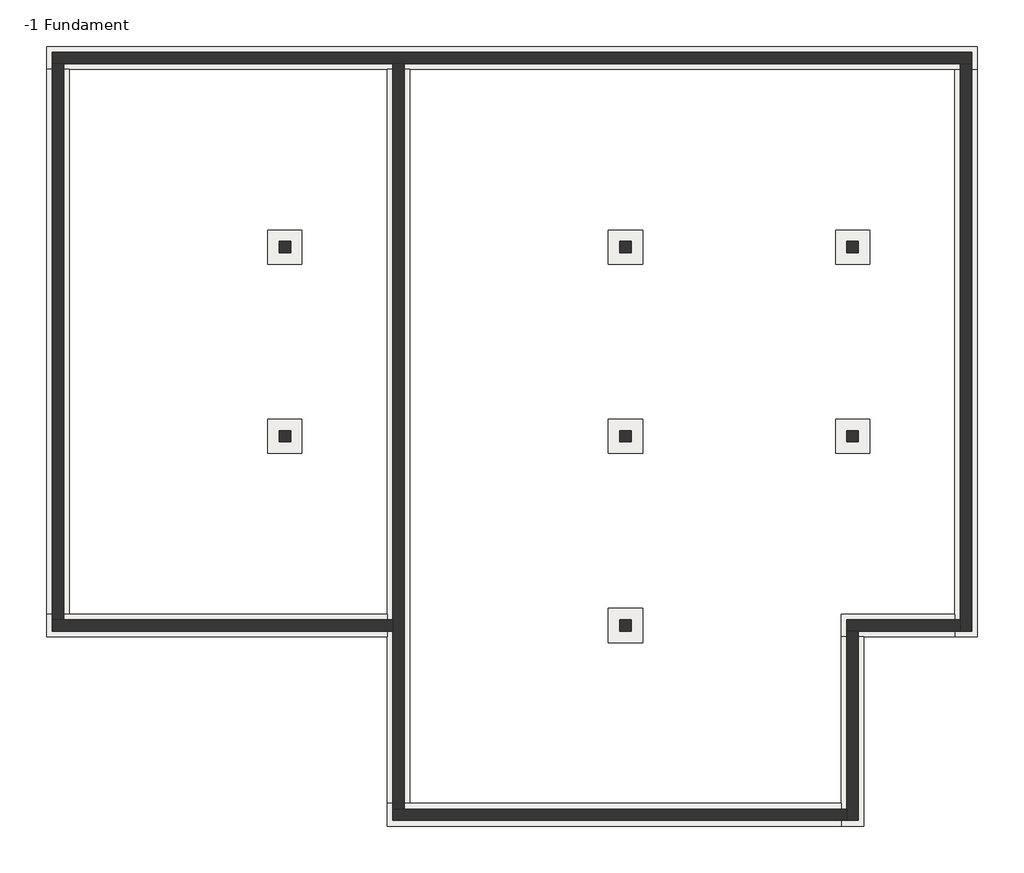
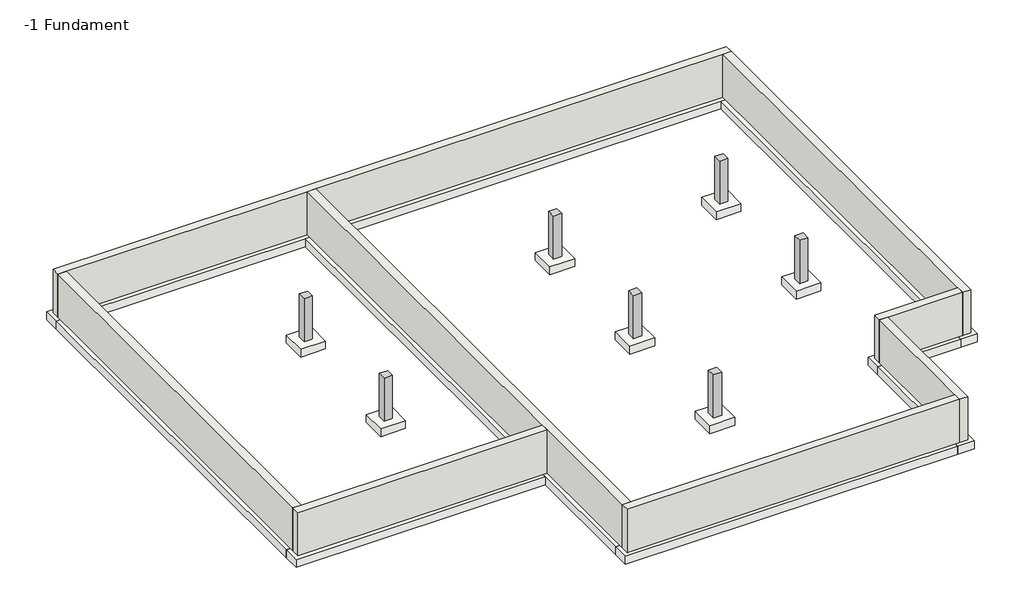
# One storey: 8 footings, 8 walls, 7 columns, 7 slabs.
"""IFC4 building model written with IfcOpenShell, lengths in millimetres."""

import ifcopenshell
import ifcopenshell.guid

model = None  # the IFC model being written
_history = None  # IfcOwnerHistory: only IFC2X3 demands one
_inside = {}  # id of a spatial element -> (the spatial element, [elements in it])
_under = {}  # id of a project, library or spatial element -> (it, [spatial elements below it])
_declared = {}  # id of a project -> (the project, [libraries it declares])
_typed = {}  # id of a type object -> (the type object, [elements of that type])
_made_of = {}  # id of a material, layer set ... -> (it, [elements and type objects made of it])


def new_model(schema):
    """Start an empty IFC model of exactly this schema.

    Asked for "IFC4X3", IfcOpenShell would pick the latest addendum, in which some entities
    have other attributes; the version numbers below select the first issue.
    IFC2X3 requires an IfcOwnerHistory on every rooted entity: one is made here for all.
    """
    global model, _history
    if schema == "IFC4X3":
        model = ifcopenshell.file(schema_version=(4, 3, 0, 0))
    else:
        model = ifcopenshell.file(schema=schema)
    _inside.clear()
    _under.clear()
    _declared.clear()
    _typed.clear()
    _made_of.clear()
    _history = None
    if model.schema == "IFC2X3":
        org = make("IfcOrganization", Name="unknown")
        user = make(
            "IfcPersonAndOrganization",
            ThePerson=make("IfcPerson", FamilyName="unknown"),
            TheOrganization=org,
        )
        app = make(
            "IfcApplication",
            ApplicationDeveloper=org,
            Version="unknown",
            ApplicationFullName="unknown",
            ApplicationIdentifier="unknown",
        )
        _history = make(
            "IfcOwnerHistory",
            OwningUser=user,
            OwningApplication=app,
            ChangeAction="ADDED",
            CreationDate=0,
        )
    return model


def make(cls, **values):
    """One entity of the class cls with the attributes given. An attribute that is None is left unset."""
    return model.create_entity(
        cls, **{name: value for name, value in values.items() if value is not None}
    )


def rooted(cls, **values):
    """An entity with a GlobalId (a new one), such as an element, a storey or a relation."""
    return make(cls, GlobalId=ifcopenshell.guid.new(), OwnerHistory=_history, **values)


def si_unit(unit_type, name, prefix=None):
    """IfcSIUnit, for example si_unit("LENGTHUNIT", "METRE", prefix="MILLI")."""
    return make("IfcSIUnit", UnitType=unit_type, Prefix=prefix, Name=name)


def assignment(units):
    """IfcUnitAssignment: the units of a project."""
    return None if units is None else make("IfcUnitAssignment", Units=units)


def point(xyz):
    """IfcCartesianPoint."""
    return None if xyz is None else make("IfcCartesianPoint", Coordinates=xyz)


def direction(xyz):
    """IfcDirection."""
    return None if xyz is None else make("IfcDirection", DirectionRatios=xyz)


def frame(location, z_axis=None, x_axis=None):
    """IfcAxis2Placement3D, a coordinate frame: its origin and axes. An axis left out is left unset."""
    return make(
        "IfcAxis2Placement3D",
        Location=point(location),
        Axis=direction(z_axis),
        RefDirection=direction(x_axis),
    )


def origin():
    """The frame at (0, 0, 0) with its axes left unset."""
    return frame((0.0, 0.0, 0.0))


def place(relative_to, where):
    """IfcLocalPlacement: puts the frame where relative to a parent placement (None: the world)."""
    return make(
        "IfcLocalPlacement", PlacementRelTo=relative_to, RelativePlacement=where
    )


def context(
    kind, dimensions, precision=None, world=None, true_north=None, identifier=None
):
    """IfcGeometricRepresentationContext, for example the 3D "Model" context."""
    return make(
        "IfcGeometricRepresentationContext",
        ContextIdentifier=identifier,
        ContextType=kind,
        CoordinateSpaceDimension=dimensions,
        Precision=precision,
        WorldCoordinateSystem=world,
        TrueNorth=true_north,
    )


def project(units=None, contexts=None):
    """IfcProject with its units and contexts."""
    return rooted(
        "IfcProject",
        Name="project",
        RepresentationContexts=contexts,
        UnitsInContext=assignment(units),
    )


def spatial(cls, under=None, at=None, **own):
    """A site, building, storey or space (cls), placed at a placement, below another one or the project."""
    s = rooted(cls, ObjectPlacement=at, **own)
    if under is not None:
        _under.setdefault(under.id(), (under, []))[1].append(s)
    return s


def polyline(points):
    """IfcPolyline through the points."""
    return make("IfcPolyline", Points=[point(p) for p in points])


def outline(outer, holes=None, kind="AREA"):
    """IfcArbitraryClosedProfileDef: a profile drawn as a closed curve; with holes, ...WithVoids."""
    if holes is None:
        return make("IfcArbitraryClosedProfileDef", ProfileType=kind, OuterCurve=outer)
    return make(
        "IfcArbitraryProfileDefWithVoids",
        ProfileType=kind,
        OuterCurve=outer,
        InnerCurves=holes,
    )


def extrude(swept, where, along, depth):
    """IfcExtrudedAreaSolid: the profile swept, set in the frame where, extruded along a direction by depth."""
    return make(
        "IfcExtrudedAreaSolid",
        SweptArea=swept,
        Position=where,
        ExtrudedDirection=direction(along),
        Depth=depth,
    )


def faces_of(points, faces, orient=None, outer=None):
    """IfcFace entities. A face is a list of loops; a loop is a list of indices into points, from 0.

    orient and outer hold one flag for each loop. By default every Orientation is true, the
    first loop of a face is its IfcFaceOuterBound and the others are IfcFaceBound.
    """
    made = []
    for i, loops in enumerate(faces):
        bounds = []
        for j, loop in enumerate(loops):
            is_outer = j == 0 if outer is None else outer[i][j]
            bounds.append(
                make(
                    "IfcFaceOuterBound" if is_outer else "IfcFaceBound",
                    Bound=make("IfcPolyLoop", Polygon=[points[k] for k in loop]),
                    Orientation=True if orient is None else orient[i][j],
                )
            )
        made.append(make("IfcFace", Bounds=bounds))
    return made


def faceted_brep(points, faces, orient=None, outer=None, voids=None):
    """IfcFacetedBrep: a solid bounded by flat faces; with voids (closed shells), ...WithVoids."""
    shared = [point(p) for p in points]
    hull = make("IfcClosedShell", CfsFaces=faces_of(shared, faces, orient, outer))
    if voids is None:
        return make("IfcFacetedBrep", Outer=hull)
    return make(
        "IfcFacetedBrepWithVoids",
        Outer=hull,
        Voids=[
            make(cls, CfsFaces=faces_of(shared, fs, o, b)) for cls, fs, o, b in voids
        ],
    )


def shape(context_of_items, identifier, shape_type, items):
    """IfcShapeRepresentation: the items that make up one representation, for example the "Body"."""
    return make(
        "IfcShapeRepresentation",
        ContextOfItems=context_of_items,
        RepresentationIdentifier=identifier,
        RepresentationType=shape_type,
        Items=items,
    )


def source(mapping_origin, context_of_items, identifier, shape_type, items):
    """IfcRepresentationMap: a shape defined once, which mapped items show again and again."""
    return make(
        "IfcRepresentationMap",
        MappingOrigin=mapping_origin,
        MappedRepresentation=shape(context_of_items, identifier, shape_type, items),
    )


def transform(
    local_origin,
    x_axis=None,
    y_axis=None,
    z_axis=None,
    scale=None,
    scale2=None,
    scale3=None,
    uniform=True,
):
    """IfcCartesianTransformationOperator3D, or its non-uniform kind. x_axis, y_axis, z_axis: its Axis1, 2, 3."""
    if uniform:
        return make(
            "IfcCartesianTransformationOperator3D",
            Axis1=direction(x_axis),
            Axis2=direction(y_axis),
            LocalOrigin=point(local_origin),
            Scale=scale,
            Axis3=direction(z_axis),
        )
    return make(
        "IfcCartesianTransformationOperator3DnonUniform",
        Axis1=direction(x_axis),
        Axis2=direction(y_axis),
        LocalOrigin=point(local_origin),
        Scale=scale,
        Axis3=direction(z_axis),
        Scale2=scale2,
        Scale3=scale3,
    )


def mapped(mapping_source, mapping_target):
    """IfcMappedItem: shows the shape of a source again, moved by a transform."""
    return make(
        "IfcMappedItem", MappingSource=mapping_source, MappingTarget=mapping_target
    )


def made_of(thing, what):
    """Note that an element or type object is made of a material, layer set ...; save() writes the relation."""
    if what is not None:
        _made_of.setdefault(what.id(), (what, []))[1].append(thing)
    return thing


def element(
    cls,
    number,
    at=None,
    inside=None,
    cuts=None,
    type_object=None,
    material=None,
    context=None,
    identifier="Body",
    shape_type=None,
    held_by="IfcProductDefinitionShape",
    body=None,
    shapes=None,
    **own,
):
    """One element of the class cls, such as IfcWall. Its Tag is "e" and its number.

    at: its placement. inside: the storey or other place that contains it. cuts: it is an
    opening in that element (IfcRelVoidsElement). A single representation is given by context,
    identifier, shape_type and body (its items); several are given by shapes. held_by: the class
    of the entity that holds the representations. save() writes the other relations.
    """
    e = rooted(cls, Tag="e%d" % number, ObjectPlacement=at, **own)
    if body is not None:
        shapes = [shape(context, identifier, shape_type, body)]
    if shapes is not None:
        e.Representation = make(held_by, Representations=shapes)
    if inside is not None:
        _inside.setdefault(inside.id(), (inside, []))[1].append(e)
    if cuts is not None:
        rooted(
            "IfcRelVoidsElement", RelatingBuildingElement=cuts, RelatedOpeningElement=e
        )
    if type_object is not None:
        _typed.setdefault(type_object.id(), (type_object, []))[1].append(e)
    return made_of(e, material)


def aggregate(whole, parts):
    """IfcRelAggregates: a whole, such as a stair, and the parts it consists of."""
    return rooted("IfcRelAggregates", RelatingObject=whole, RelatedObjects=parts)


def save(model, path):
    """Write the relations noted so far, then the file.

    IfcRelAggregates (storeys below a building ...), IfcRelContainedInSpatialStructure (elements
    in a storey), IfcRelDefinesByType, IfcRelAssociatesMaterial and IfcRelDeclares: one each for
    every whole, place, type object, material and project.
    """
    for whole, parts in _under.values():
        aggregate(whole, parts)
    for where, things in _inside.values():
        rooted(
            "IfcRelContainedInSpatialStructure",
            RelatedElements=things,
            RelatingStructure=where,
        )
    for kind, things in _typed.values():
        rooted("IfcRelDefinesByType", RelatedObjects=things, RelatingType=kind)
    for what, things in _made_of.values():
        rooted("IfcRelAssociatesMaterial", RelatedObjects=things, RelatingMaterial=what)
    for by, libraries in _declared.values():
        rooted("IfcRelDeclares", RelatingContext=by, RelatedDefinitions=libraries)
    model.write(path)


def stopa_90x90x30_c17b2515(model_context):
    return source(origin(), model_context, "Body", "SweptSolid", [
        extrude(outline(polyline([(450.0, 450.0), (450.0, -450.0), (-450.0, -450.0), (-450.0, 450.0), (450.0, 450.0)])), frame((0.0, 0.0, -300.0), z_axis=(0.0, 0.0, 1.0), x_axis=(1.0, 0.0, 0.0)), (0.0, 0.0, 1.0), 300.0),
    ])


model = new_model("IFC4")

# Units and contexts
model_context = context("Model", 3, world=origin())
ifc_project = project(units=[si_unit("LENGTHUNIT", "METRE", prefix="MILLI")], contexts=[model_context])

# Site, building, storey
site = spatial("IfcSite", under=ifc_project)
building = spatial("IfcBuilding", under=site)
storey = spatial("IfcBuildingStorey", under=building, Name="-1 Fundament", Elevation=-1800.0)

# Columns
placement = place(None, origin())
element("IfcColumn", 1, ObjectType="300 x 300 mm", at=placement, inside=storey, context=model_context, shape_type="SweptSolid", body=[
    extrude(outline(polyline([(-9908.387527, 9942.0054116), (-9908.387527, 9642.0054116), (-10208.387527, 9642.0054116), (-10208.387527, 9942.0054116), (-9908.387527, 9942.0054116)])), frame((0.0, 0.0, -1800.0), z_axis=(0.0, 0.0, 1.0), x_axis=(1.0, 0.0, 0.0)), (0.0, 0.0, 1.0), 1650.0),
])
element("IfcColumn", 2, ObjectType="300 x 300 mm", at=placement, inside=storey, context=model_context, shape_type="SweptSolid", body=[
    extrude(outline(polyline([(-9908.387527, 4942.0054116), (-9908.387527, 4642.0054116), (-10208.387527, 4642.0054116), (-10208.387527, 4942.0054116), (-9908.387527, 4942.0054116)])), frame((0.0, 0.0, -1800.0), z_axis=(0.0, 0.0, 1.0), x_axis=(1.0, 0.0, 0.0)), (0.0, 0.0, 1.0), 1650.0),
])
element("IfcColumn", 3, ObjectType="300 x 300 mm", at=placement, inside=storey, context=model_context, shape_type="SweptSolid", body=[
    extrude(outline(polyline([(-908.387527, 9942.0054116), (-908.387527, 9642.0054116), (-1208.387527, 9642.0054116), (-1208.387527, 9942.0054116), (-908.387527, 9942.0054116)])), frame((0.0, 0.0, -1800.0), z_axis=(0.0, 0.0, 1.0), x_axis=(1.0, 0.0, 0.0)), (0.0, 0.0, 1.0), 1650.0),
])
element("IfcColumn", 4, ObjectType="300 x 300 mm", at=placement, inside=storey, context=model_context, shape_type="SweptSolid", body=[
    extrude(outline(polyline([(-908.387527, 4942.0054116), (-908.387527, 4642.0054116), (-1208.387527, 4642.0054116), (-1208.387527, 4942.0054116), (-908.387527, 4942.0054116)])), frame((0.0, 0.0, -1800.0), z_axis=(0.0, 0.0, 1.0), x_axis=(1.0, 0.0, 0.0)), (0.0, 0.0, 1.0), 1650.0),
])
element("IfcColumn", 5, ObjectType="300 x 300 mm", at=placement, inside=storey, context=model_context, shape_type="SweptSolid", body=[
    extrude(outline(polyline([(5091.612473, 9942.0054116), (5091.612473, 9642.0054116), (4791.612473, 9642.0054116), (4791.612473, 9942.0054116), (5091.612473, 9942.0054116)])), frame((0.0, 0.0, -1800.0), z_axis=(0.0, 0.0, 1.0), x_axis=(1.0, 0.0, 0.0)), (0.0, 0.0, 1.0), 1650.0),
])
element("IfcColumn", 6, ObjectType="300 x 300 mm", at=placement, inside=storey, context=model_context, shape_type="SweptSolid", body=[
    extrude(outline(polyline([(5091.612473, 4942.0054116), (5091.612473, 4642.0054116), (4791.612473, 4642.0054116), (4791.612473, 4942.0054116), (5091.612473, 4942.0054116)])), frame((0.0, 0.0, -1800.0), z_axis=(0.0, 0.0, 1.0), x_axis=(1.0, 0.0, 0.0)), (0.0, 0.0, 1.0), 1650.0),
])
element("IfcColumn", 7, ObjectType="300 x 300 mm", at=placement, inside=storey, context=model_context, shape_type="SweptSolid", body=[
    extrude(outline(polyline([(-908.387527, -57.9945884), (-908.387527, -357.9945884), (-1208.387527, -357.9945884), (-1208.387527, -57.9945884), (-908.387527, -57.9945884)])), frame((0.0, 0.0, -1800.0), z_axis=(0.0, 0.0, 1.0), x_axis=(1.0, 0.0, 0.0)), (0.0, 0.0, 1.0), 1650.0),
])

# Footings
element("IfcFooting", 8, at=placement, inside=storey, context=model_context, shape_type="Brep", body=[
    faceted_brep([(-16358.387527, 14492.0054116, -1800.0), (-15758.387527, 14492.0054116, -1800.0), (-7358.387527, 14492.0054116, -1800.0), (-6758.387527, 14492.0054116, -1800.0), (7641.612473, 14492.0054116, -1800.0), (8241.612473, 14492.0054116, -1800.0), (8241.612473, 15092.0054116, -1800.0), (-16358.387527, 15092.0054116, -1800.0), (-16358.387527, 15092.0054116, -2100.0), (8241.612473, 15092.0054116, -2100.0), (-16358.387527, 14492.0054116, -2100.0), (8241.612473, 14492.0054116, -2100.0), (7641.612473, 14492.0054116, -2100.0), (-6758.387527, 14492.0054116, -2100.0), (-7358.387527, 14492.0054116, -2100.0), (-15758.387527, 14492.0054116, -2100.0)], [[[0, 1, 2, 3, 4, 5, 6, 7]], [[8, 7, 6, 9]], [[10, 8, 9, 11, 12, 13, 14, 15]], [[0, 10, 15, 14, 13, 12, 11, 5, 4, 3, 2, 1]], [[6, 5, 11, 9]], [[0, 7, 8, 10]]]),
])
element("IfcFooting", 9, at=placement, inside=storey, context=model_context, shape_type="Brep", body=[
    faceted_brep([(7641.612473, -507.9945884, -1800.0), (8241.612473, -507.9945884, -1800.0), (8241.612473, 14492.0054116, -1800.0), (7641.612473, 14492.0054116, -1800.0), (7641.612473, 92.0054116, -1800.0), (8241.612473, -507.9945884, -2100.0), (8241.612473, 14492.0054116, -2100.0), (7641.612473, -507.9945884, -2100.0), (7641.612473, 92.0054116, -2100.0), (7641.612473, 14492.0054116, -2100.0)], [[[0, 1, 2, 3, 4]], [[1, 5, 6, 2]], [[5, 7, 8, 9, 6]], [[7, 0, 4, 3, 9, 8]], [[1, 0, 7, 5]], [[3, 2, 6, 9]]]),
])
element("IfcFooting", 10, at=placement, inside=storey, context=model_context, shape_type="Brep", body=[
    faceted_brep([(4641.612473, 92.0054116, -1800.0), (4641.612473, -507.9945884, -1800.0), (5241.612473, -507.9945884, -1800.0), (7641.612473, -507.9945884, -1800.0), (7641.612473, 92.0054116, -1800.0), (4641.612473, -507.9945884, -2100.0), (5241.612473, -507.9945884, -2100.0), (7641.612473, -507.9945884, -2100.0), (4641.612473, 92.0054116, -2100.0), (7641.612473, 92.0054116, -2100.0)], [[[0, 1, 2, 3, 4]], [[1, 5, 6, 7, 3, 2]], [[5, 8, 9, 7, 6]], [[8, 0, 4, 9]], [[1, 0, 8, 5]], [[4, 3, 7, 9]]]),
])
element("IfcFooting", 11, at=placement, inside=storey, context=model_context, shape_type="Brep", body=[
    faceted_brep([(4641.612473, -5507.9945884, -1800.0), (5241.612473, -5507.9945884, -1800.0), (5241.612473, -507.9945884, -1800.0), (4641.612473, -507.9945884, -1800.0), (4641.612473, -4907.9945884, -1800.0), (5241.612473, -5507.9945884, -2100.0), (5241.612473, -507.9945884, -2100.0), (4641.612473, -5507.9945884, -2100.0), (4641.612473, -4907.9945884, -2100.0), (4641.612473, -507.9945884, -2100.0)], [[[0, 1, 2, 3, 4]], [[1, 5, 6, 2]], [[5, 7, 8, 9, 6]], [[7, 0, 4, 3, 9, 8]], [[1, 0, 7, 5]], [[3, 2, 6, 9]]]),
])
element("IfcFooting", 12, at=placement, inside=storey, context=model_context, shape_type="Brep", body=[
    faceted_brep([(-7358.387527, -4907.9945884, -1800.0), (-7358.387527, -5507.9945884, -1800.0), (4641.612473, -5507.9945884, -1800.0), (4641.612473, -4907.9945884, -1800.0), (-6758.387527, -4907.9945884, -1800.0), (-7358.387527, -5507.9945884, -2100.0), (4641.612473, -5507.9945884, -2100.0), (-7358.387527, -4907.9945884, -2100.0), (-6758.387527, -4907.9945884, -2100.0), (4641.612473, -4907.9945884, -2100.0)], [[[0, 1, 2, 3, 4]], [[1, 5, 6, 2]], [[5, 7, 8, 9, 6]], [[7, 0, 4, 3, 9, 8]], [[1, 0, 7, 5]], [[3, 2, 6, 9]]]),
])
element("IfcFooting", 13, at=placement, inside=storey, context=model_context, shape_type="Brep", body=[
    faceted_brep([(-6758.387527, 14492.0054116, -1800.0), (-7358.387527, 14492.0054116, -1800.0), (-7358.387527, 92.0054116, -1800.0), (-7358.387527, -507.9945884, -1800.0), (-7358.387527, -4907.9945884, -1800.0), (-6758.387527, -4907.9945884, -1800.0), (-7358.387527, 14492.0054116, -2100.0), (-7358.387527, 92.0054116, -2100.0), (-7358.387527, -507.9945884, -2100.0), (-7358.387527, -4907.9945884, -2100.0), (-6758.387527, 14492.0054116, -2100.0), (-6758.387527, -4907.9945884, -2100.0)], [[[0, 1, 2, 3, 4, 5]], [[1, 6, 7, 8, 9, 4, 3, 2]], [[6, 10, 11, 9, 8, 7]], [[10, 0, 5, 11]], [[1, 0, 10, 6]], [[5, 4, 9, 11]]]),
])
element("IfcFooting", 14, at=placement, inside=storey, context=model_context, shape_type="Brep", body=[
    faceted_brep([(-16358.387527, 92.0054116, -1800.0), (-16358.387527, -507.9945884, -1800.0), (-7358.387527, -507.9945884, -1800.0), (-7358.387527, 92.0054116, -1800.0), (-15758.387527, 92.0054116, -1800.0), (-16358.387527, -507.9945884, -2100.0), (-7358.387527, -507.9945884, -2100.0), (-16358.387527, 92.0054116, -2100.0), (-15758.387527, 92.0054116, -2100.0), (-7358.387527, 92.0054116, -2100.0)], [[[0, 1, 2, 3, 4]], [[1, 5, 6, 2]], [[5, 7, 8, 9, 6]], [[7, 0, 4, 3, 9, 8]], [[1, 0, 7, 5]], [[3, 2, 6, 9]]]),
])
element("IfcFooting", 15, at=placement, inside=storey, context=model_context, shape_type="SweptSolid", body=[
    extrude(outline(polyline([(-16358.387527, 14492.0054116), (-15758.387527, 14492.0054116), (-15758.387527, 92.0054116), (-16358.387527, 92.0054116), (-16358.387527, 14492.0054116)])), frame((0.0, 0.0, -2100.0), z_axis=(0.0, 0.0, 1.0), x_axis=(1.0, 0.0, 0.0)), (0.0, 0.0, 1.0), 300.0),
])

# Slabs
stopa_90x90x30_shape = stopa_90x90x30_c17b2515(model_context)
element("IfcSlab", 16, ObjectType="Stopa 90x90x30", at=placement, inside=storey, context=model_context, shape_type="MappedRepresentation", body=[
    mapped(stopa_90x90x30_shape, transform((-10058.387527, 9792.0054116, -1800.0), x_axis=(1.0, 0.0, 0.0), y_axis=(0.0, 1.0, 0.0), z_axis=(0.0, 0.0, 1.0))),
])
element("IfcSlab", 17, ObjectType="Stopa 90x90x30", at=placement, inside=storey, context=model_context, shape_type="MappedRepresentation", body=[
    mapped(stopa_90x90x30_shape, transform((-10058.387527, 4792.0054116, -1800.0), x_axis=(1.0, 0.0, 0.0), y_axis=(0.0, 1.0, 0.0), z_axis=(0.0, 0.0, 1.0))),
])
element("IfcSlab", 18, ObjectType="Stopa 90x90x30", at=placement, inside=storey, context=model_context, shape_type="MappedRepresentation", body=[
    mapped(stopa_90x90x30_shape, transform((-1058.387527, 9792.0054116, -1800.0), x_axis=(1.0, 0.0, 0.0), y_axis=(0.0, 1.0, 0.0), z_axis=(0.0, 0.0, 1.0))),
])
element("IfcSlab", 19, ObjectType="Stopa 90x90x30", at=placement, inside=storey, context=model_context, shape_type="MappedRepresentation", body=[
    mapped(stopa_90x90x30_shape, transform((-1058.387527, 4792.0054116, -1800.0), x_axis=(1.0, 0.0, 0.0), y_axis=(0.0, 1.0, 0.0), z_axis=(0.0, 0.0, 1.0))),
])
element("IfcSlab", 20, ObjectType="Stopa 90x90x30", at=placement, inside=storey, context=model_context, shape_type="MappedRepresentation", body=[
    mapped(stopa_90x90x30_shape, transform((4941.612473, 9792.0054116, -1800.0), x_axis=(1.0, 0.0, 0.0), y_axis=(0.0, 1.0, 0.0), z_axis=(0.0, 0.0, 1.0))),
])
element("IfcSlab", 21, ObjectType="Stopa 90x90x30", at=placement, inside=storey, context=model_context, shape_type="MappedRepresentation", body=[
    mapped(stopa_90x90x30_shape, transform((4941.612473, 4792.0054116, -1800.0), x_axis=(1.0, 0.0, 0.0), y_axis=(0.0, 1.0, 0.0), z_axis=(0.0, 0.0, 1.0))),
])
element("IfcSlab", 22, ObjectType="Stopa 90x90x30", at=placement, inside=storey, context=model_context, shape_type="MappedRepresentation", body=[
    mapped(stopa_90x90x30_shape, transform((-1058.387527, -207.9945884, -1800.0), x_axis=(1.0, 0.0, 0.0), y_axis=(0.0, 1.0, 0.0), z_axis=(0.0, 0.0, 1.0))),
])

# Walls
element("IfcWall", 23, ObjectType="Fundament - beton 300 mm", at=placement, inside=storey, context=model_context, shape_type="Brep", body=[
    faceted_brep([(-16208.387527, 14642.0054116, -1800.0), (-15908.387527, 14642.0054116, -1800.0), (-7208.387527, 14642.0054116, -1800.0), (-6908.387527, 14642.0054116, -1800.0), (7791.612473, 14642.0054116, -1800.0), (8091.612473, 14642.0054116, -1800.0), (8091.612473, 14642.0054116, -150.0), (7791.612473, 14642.0054116, -150.0), (-6908.387527, 14642.0054116, -150.0), (-7208.387527, 14642.0054116, -150.0), (-15908.387527, 14642.0054116, -150.0), (-16208.387527, 14642.0054116, -150.0), (-16208.387527, 14942.0054116, -1800.0), (-16208.387527, 14942.0054116, -150.0), (8091.612473, 14942.0054116, -150.0), (8091.612473, 14942.0054116, -1800.0)], [[[0, 1, 2, 3, 4, 5, 6, 7, 8, 9, 10, 11]], [[12, 13, 14, 15]], [[5, 4, 3, 2, 1, 0, 12, 15]], [[6, 5, 15, 14]], [[0, 11, 13, 12]], [[11, 10, 9, 8, 7, 6, 14, 13]]]),
])
element("IfcWall", 24, ObjectType="Fundament - beton 300 mm", at=placement, inside=storey, context=model_context, shape_type="Brep", body=[
    faceted_brep([(7791.612473, 14642.0054116, -1800.0), (7791.612473, -57.9945884, -1800.0), (7791.612473, -357.9945884, -1800.0), (7791.612473, -357.9945884, -150.0), (7791.612473, -57.9945884, -150.0), (7791.612473, 14642.0054116, -150.0), (8091.612473, 14642.0054116, -1800.0), (8091.612473, 14642.0054116, -150.0), (8091.612473, -357.9945884, -150.0), (8091.612473, -357.9945884, -1800.0)], [[[0, 1, 2, 3, 4, 5]], [[6, 7, 8, 9]], [[2, 1, 0, 6, 9]], [[0, 5, 7, 6]], [[3, 2, 9, 8]], [[5, 4, 3, 8, 7]]]),
])
element("IfcWall", 25, ObjectType="Fundament - beton 300 mm", at=placement, inside=storey, context=model_context, shape_type="Brep", body=[
    faceted_brep([(7791.612473, -57.9945884, -1800.0), (4791.612473, -57.9945884, -1800.0), (4791.612473, -57.9945884, -150.0), (7791.612473, -57.9945884, -150.0), (7791.612473, -357.9945884, -1800.0), (7791.612473, -357.9945884, -150.0), (5091.612473, -357.9945884, -150.0), (4791.612473, -357.9945884, -150.0), (4791.612473, -357.9945884, -1800.0), (5091.612473, -357.9945884, -1800.0)], [[[0, 1, 2, 3]], [[4, 5, 6, 7, 8, 9]], [[1, 0, 4, 9, 8]], [[0, 3, 5, 4]], [[2, 1, 8, 7]], [[3, 2, 7, 6, 5]]]),
])
element("IfcWall", 26, ObjectType="Fundament - beton 300 mm", at=placement, inside=storey, context=model_context, shape_type="Brep", body=[
    faceted_brep([(4791.612473, -357.9945884, -1800.0), (4791.612473, -5057.9945884, -1800.0), (4791.612473, -5357.9945884, -1800.0), (4791.612473, -5357.9945884, -150.0), (4791.612473, -5057.9945884, -150.0), (4791.612473, -357.9945884, -150.0), (5091.612473, -357.9945884, -1800.0), (5091.612473, -357.9945884, -150.0), (5091.612473, -5357.9945884, -150.0), (5091.612473, -5357.9945884, -1800.0)], [[[0, 1, 2, 3, 4, 5]], [[6, 7, 8, 9]], [[2, 1, 0, 6, 9]], [[0, 5, 7, 6]], [[3, 2, 9, 8]], [[5, 4, 3, 8, 7]]]),
])
element("IfcWall", 27, ObjectType="Fundament - beton 300 mm", at=placement, inside=storey, context=model_context, shape_type="Brep", body=[
    faceted_brep([(4791.612473, -5057.9945884, -1800.0), (-6908.387527, -5057.9945884, -1800.0), (-7208.387527, -5057.9945884, -1800.0), (-7208.387527, -5057.9945884, -150.0), (-6908.387527, -5057.9945884, -150.0), (4791.612473, -5057.9945884, -150.0), (4791.612473, -5357.9945884, -1800.0), (4791.612473, -5357.9945884, -150.0), (-7208.387527, -5357.9945884, -150.0), (-7208.387527, -5357.9945884, -1800.0)], [[[0, 1, 2, 3, 4, 5]], [[6, 7, 8, 9]], [[2, 1, 0, 6, 9]], [[0, 5, 7, 6]], [[3, 2, 9, 8]], [[5, 4, 3, 8, 7]]]),
])
element("IfcWall", 28, ObjectType="Fundament - beton 300 mm", at=placement, inside=storey, context=model_context, shape_type="Brep", body=[
    faceted_brep([(-6908.387527, -5057.9945884, -1800.0), (-6908.387527, 14642.0054116, -1800.0), (-6908.387527, 14642.0054116, -150.0), (-6908.387527, -5057.9945884, -150.0), (-7208.387527, -5057.9945884, -1800.0), (-7208.387527, -5057.9945884, -150.0), (-7208.387527, -357.9945884, -150.0), (-7208.387527, -57.9945884, -150.0), (-7208.387527, 14642.0054116, -150.0), (-7208.387527, 14642.0054116, -1800.0), (-7208.387527, -57.9945884, -1800.0), (-7208.387527, -357.9945884, -1800.0)], [[[0, 1, 2, 3]], [[4, 5, 6, 7, 8, 9, 10, 11]], [[1, 0, 4, 11, 10, 9]], [[0, 3, 5, 4]], [[2, 1, 9, 8]], [[3, 2, 8, 7, 6, 5]]]),
])
element("IfcWall", 29, ObjectType="Fundament - beton 300 mm", at=placement, inside=storey, context=model_context, shape_type="Brep", body=[
    faceted_brep([(-7208.387527, -57.9945884, -1800.0), (-15908.387527, -57.9945884, -1800.0), (-16208.387527, -57.9945884, -1800.0), (-16208.387527, -57.9945884, -150.0), (-15908.387527, -57.9945884, -150.0), (-7208.387527, -57.9945884, -150.0), (-7208.387527, -357.9945884, -1800.0), (-7208.387527, -357.9945884, -150.0), (-16208.387527, -357.9945884, -150.0), (-16208.387527, -357.9945884, -1800.0)], [[[0, 1, 2, 3, 4, 5]], [[6, 7, 8, 9]], [[2, 1, 0, 6, 9]], [[0, 5, 7, 6]], [[3, 2, 9, 8]], [[5, 4, 3, 8, 7]]]),
])
element("IfcWall", 30, ObjectType="Fundament - beton 300 mm", at=placement, inside=storey, context=model_context, shape_type="SweptSolid", body=[
    extrude(outline(polyline([(-15908.387527, 14642.0054116), (-15908.387527, -57.9945884), (-16208.387527, -57.9945884), (-16208.387527, 14642.0054116), (-15908.387527, 14642.0054116)])), frame((0.0, 0.0, -1800.0), z_axis=(0.0, 0.0, 1.0), x_axis=(1.0, 0.0, 0.0)), (0.0, 0.0, 1.0), 1650.0),
])

save(model, "model.ifc")
